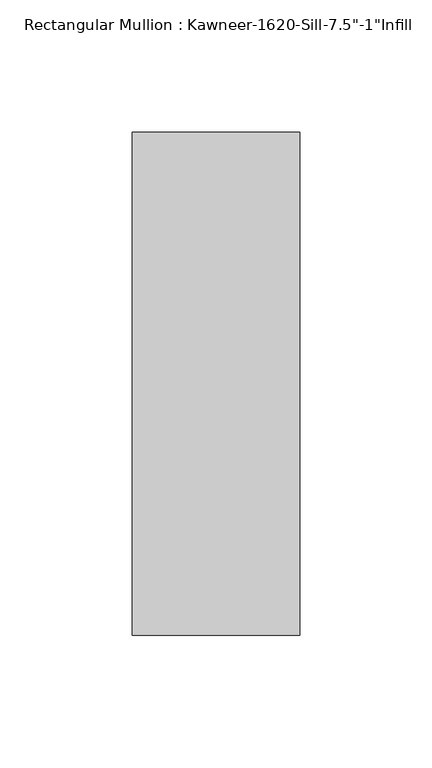
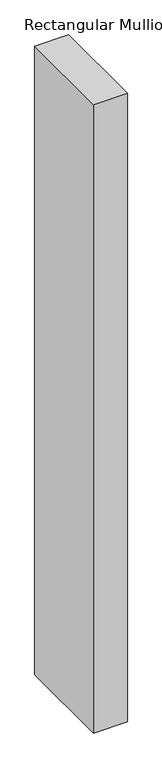
"""IFC4 building model written with IfcOpenShell, lengths in millimetres: member geometry."""

from ifc_helpers import new_model, si_unit, frame, origin, place, context, project, spatial, polyline, outline, extrude, source, transform, mapped, element, save


def member_b75cd4f3(model_context):
    return source(origin(), model_context, "Body", "SweptSolid", [
        extrude(outline(polyline([(-63.5, 38.1), (0.0, 38.1), (0.0, -152.4), (-63.5, -152.4), (-63.5, 38.1)])), frame((0.0, 0.0, -1244.1045152), z_axis=(0.0, 0.0, 1.0), x_axis=(1.0, 0.0, 0.0)), (0.0, 0.0, 1.0), 1244.1045152),
    ])


if __name__ == "__main__":
    model = new_model("IFC4")
    model_context = context("Model", 3, world=origin())
    ifc_project = project(units=[si_unit("LENGTHUNIT", "METRE", prefix="MILLI")], contexts=[model_context])
    site = spatial("IfcSite", under=ifc_project)
    building = spatial("IfcBuilding", under=site)
    placement = place(None, origin())
    member_shape = member_b75cd4f3(model_context)
    element("IfcMember", 1, ObjectType="Rectangular Mullion : Kawneer-1620-Sill-7.5\"-1\"Infill", at=placement, inside=building, context=model_context, shape_type="MappedRepresentation", body=[
        mapped(member_shape, transform((0.0, 0.0, 0.0), x_axis=(1.0, 0.0, 0.0), y_axis=(0.0, 1.0, 0.0), z_axis=(0.0, 0.0, 1.0))),
    ])
    save(model, "model.ifc")
